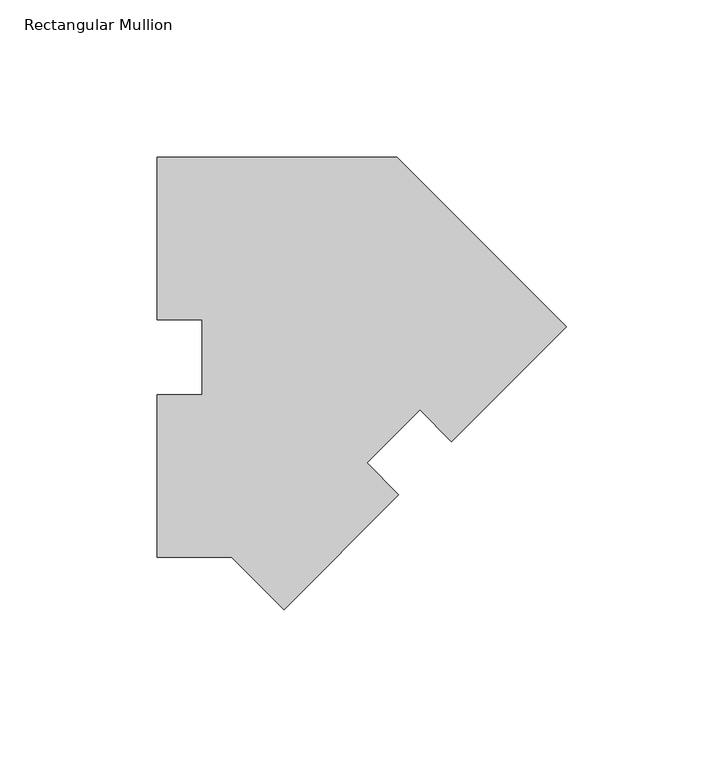
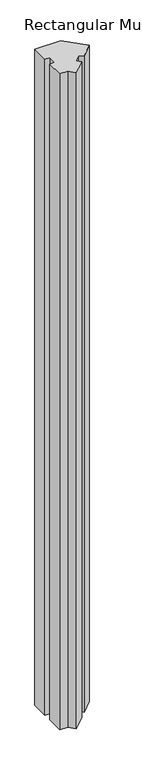
"""IFC4 building model written with IfcOpenShell, lengths in millimetres: member geometry, Rectangular Mullion."""

from ifc_helpers import new_model, si_unit, frame, origin, place, context, project, spatial, polyline, outline, extrude, source, transform, mapped, element, save


def rectangular_mullion_7819d9ed(model_context):
    return source(origin(), model_context, "Body", "SweptSolid", [
        extrude(outline(polyline([(-130.0815367, 127.00635), (-53.8815367, 127.00635), (0.0, 73.1248133), (-36.4867806, 36.6380327), (-46.5895688, 46.7408208), (-63.4185687, 29.9118208), (-53.3157806, 19.8090327), (-89.8025612, -16.6777479), (-106.4866591, 0.00635), (-130.0815367, 0.00635), (-130.0815367, 51.60645), (-115.7940367, 51.60645), (-115.7940367, 75.40625), (-130.0815367, 75.40625), (-130.0815367, 127.00635)])), frame((0.0, 0.0, -2057.4), z_axis=(0.0, 0.0, 1.0), x_axis=(1.0, 0.0, 0.0)), (0.0, 0.0, 1.0), 2057.4),
    ])


if __name__ == "__main__":
    model = new_model("IFC4")
    model_context = context("Model", 3, world=origin())
    ifc_project = project(units=[si_unit("LENGTHUNIT", "METRE", prefix="MILLI")], contexts=[model_context])
    site = spatial("IfcSite", under=ifc_project)
    building = spatial("IfcBuilding", under=site)
    placement = place(None, origin())
    rectangular_mullion_shape = rectangular_mullion_7819d9ed(model_context)
    element("IfcMember", 1, ObjectType="Rectangular Mullion", at=placement, inside=building, context=model_context, shape_type="MappedRepresentation", body=[
        mapped(rectangular_mullion_shape, transform((0.0, 0.0, 0.0), x_axis=(1.0, 0.0, 0.0), y_axis=(0.0, 1.0, 0.0), z_axis=(0.0, 0.0, 1.0))),
    ])
    save(model, "model.ifc")
